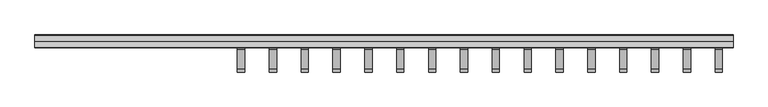
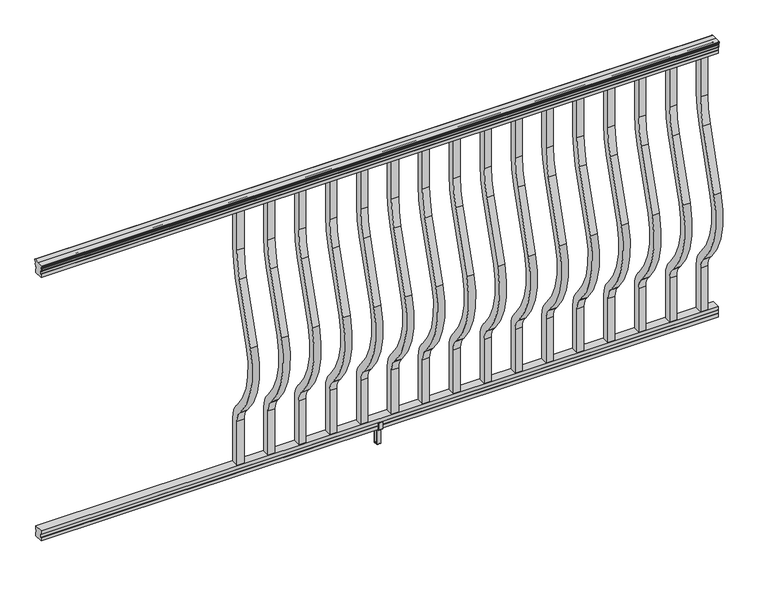
"""IFC4 building model written with IfcOpenShell, lengths in millimetres: railing geometry."""

from ifc_helpers import new_model, si_unit, point, frame, frame_2d, origin, place, context, project, spatial, polyline, circle_curve, trimmed, segment, composite_curve, outline, extrude, faceted_brep, source, transform, mapped, element, save
from ifc_brep_helpers import plane_surface, cylinder_surface, revolved_surface, advanced_brep


def railing_24a6271a(model_context):
    return source(origin(), model_context, "Body", "SolidModel", [
        advanced_brep(
        [(13090.4060044, -49289.7992427, 1090.8043297), (13090.4060044, -49289.7992427, 1092.692412), (13090.4060044, -49290.929429, 1094.2546695), (13090.4060044, -49290.929429, 1101.4726458), (13090.4060044, -49290.2801726, 1103.9060812), (13090.4060044, -49292.7801726, 1108.2362083), (13090.4060044, -49294.1895151, 1109.9157972), (13090.4060044, -49294.5914141, 1111.0205318), (13090.4060044, -49294.591414, 1112.3608158), (13090.4060044, -49293.0379668, 1113.914263), (13090.4060044, -49272.366414, 1113.914263), (13090.4060044, -49251.6948612, 1113.914263), (13090.4060044, -49250.141414, 1112.3608158), (13090.4060044, -49250.141414, 1111.0205318), (13090.4060044, -49250.5433129, 1109.9157972), (13090.4060044, -49251.9526554, 1108.2362083), (13090.4060044, -49254.4526554, 1103.9060812), (13090.4060044, -49253.803399, 1101.4726458), (13090.4060044, -49253.803399, 1094.2546695), (13090.4060044, -49254.9335853, 1092.692412), (13090.4060044, -49254.9335853, 1090.8043297), (13090.4060044, -49257.507414, 1090.8043297), (13090.4060044, -49257.507414, 1080.3048283), (13090.4060044, -49256.491414, 1079.2888283), (13090.4060044, -49256.491414, 1066.8), (13090.4060044, -49288.241414, 1066.8), (13090.4060044, -49288.241414, 1079.131013), (13090.4060044, -49287.225414, 1080.147013), (13090.4060044, -49287.225414, 1090.8043297), (15528.8060044, -49289.7992427, 1090.8043297), (15528.8060044, -49287.225414, 1090.8043297), (15528.8060044, -49287.225414, 1080.147013), (15528.8060044, -49288.241414, 1079.131013), (15528.8060044, -49288.241414, 1066.8), (15528.8060044, -49256.491414, 1066.8), (15528.8060044, -49256.491414, 1079.2888283), (15528.8060044, -49257.507414, 1080.3048283), (15528.8060044, -49257.507414, 1090.8043297), (15528.8060044, -49254.9335853, 1090.8043297), (15528.8060044, -49254.9335853, 1092.692412), (15528.8060044, -49253.803399, 1094.2546695), (15528.8060044, -49253.803399, 1101.4726458), (15528.8060044, -49254.4526554, 1103.9060812), (15528.8060044, -49251.9526554, 1108.2362083), (15528.8060044, -49250.5433129, 1109.9157972), (15528.8060044, -49250.1414139, 1111.0205318), (15528.8060044, -49250.141414, 1112.3608158), (15528.8060044, -49251.6948612, 1113.914263), (15528.8060044, -49272.366414, 1113.914263), (15528.8060044, -49293.0379668, 1113.914263), (15528.8060044, -49294.591414, 1112.3608158), (15528.8060044, -49294.591414, 1111.0205318), (15528.8060044, -49294.1895151, 1109.9157972), (15528.8060044, -49292.7801726, 1108.2362083), (15528.8060044, -49290.2801726, 1103.9060812), (15528.8060044, -49290.929429, 1101.4726458), (15528.8060044, -49290.929429, 1094.2546695), (15528.8060044, -49289.7992427, 1092.692412)],
        [
            (0, 1),
            (1, 2, circle_curve(frame((13090.4060044, -49283.4844895, 1098.4506383), z_axis=(-1.0, 0.0, 0.0), x_axis=(0.0, 1.0, 0.0)), 8.545951)),
            (2, 3, circle_curve(frame((13090.4060044, -49283.9215524, 1097.8636577), z_axis=(-1.0, 0.0, 0.0), x_axis=(0.0, 1.0, 0.0)), 7.882584)),
            (3, 4, circle_curve(frame((13090.4060044, -49294.4348766, 1103.7112527), z_axis=(1.0, 0.0, 0.0), x_axis=(0.0, 1.0, 0.0)), 4.1592695)),
            (4, 5, circle_curve(frame((13090.4060044, -49295.7221831, 1103.6508864), z_axis=(1.0, 0.0, 0.0), x_axis=(0.0, 1.0, 0.0)), 5.4479907)),
            (5, 6, circle_curve(frame((13090.4060044, -49294.4890247, 1108.233395), z_axis=(1.0, 0.0, 0.0), x_axis=(0.0, 1.0, 0.0)), 1.7088543)),
            (6, 7, circle_curve(frame((13090.4060044, -49292.8721246, 1111.0205318), z_axis=(-1.0, 0.0, 0.0), x_axis=(0.0, 1.0, 0.0)), 1.7192895)),
            (7, 8),
            (8, 9, circle_curve(frame((13090.4060044, -49293.0379668, 1112.3608158), z_axis=(-1.0, 0.0, 0.0), x_axis=(0.0, 1.0, 0.0)), 1.5534472)),
            (9, 10),
            (10, 11),
            (11, 12, circle_curve(frame((13090.4060044, -49251.6948612, 1112.3608158), z_axis=(-1.0, 0.0, 0.0), x_axis=(0.0, -1.0, 0.0)), 1.5534472)),
            (12, 13),
            (13, 14, circle_curve(frame((13090.4060044, -49251.8607034, 1111.0205318), z_axis=(-1.0, 0.0, 0.0), x_axis=(0.0, -1.0, 0.0)), 1.7192895)),
            (14, 15, circle_curve(frame((13090.4060044, -49250.2438033, 1108.233395), z_axis=(1.0, 0.0, 0.0), x_axis=(0.0, -1.0, 0.0)), 1.7088543)),
            (15, 16, circle_curve(frame((13090.4060044, -49249.0106449, 1103.6508864), z_axis=(1.0, 0.0, 0.0), x_axis=(0.0, -1.0, 0.0)), 5.4479907)),
            (16, 17, circle_curve(frame((13090.4060044, -49250.2979515, 1103.7112527), z_axis=(1.0, 0.0, 0.0), x_axis=(0.0, -1.0, 0.0)), 4.1592695)),
            (17, 18, circle_curve(frame((13090.4060044, -49260.8112756, 1097.8636577), z_axis=(-1.0, 0.0, 0.0), x_axis=(0.0, -1.0, 0.0)), 7.882584)),
            (18, 19, circle_curve(frame((13090.4060044, -49261.2483386, 1098.4506383), z_axis=(-1.0, 0.0, 0.0), x_axis=(0.0, -1.0, 0.0)), 8.545951)),
            (19, 20),
            (20, 21, circle_curve(frame((13090.4060044, -49256.2204996, 1090.8043297), z_axis=(-1.0, 0.0, 0.0), x_axis=(0.0, -1.0, 0.0)), 1.2869144)),
            (21, 22),
            (22, 23),
            (23, 24),
            (24, 25),
            (25, 26),
            (26, 27),
            (27, 28),
            (28, 0, circle_curve(frame((13090.4060044, -49288.5123284, 1090.8043297), z_axis=(-1.0, 0.0, 0.0), x_axis=(0.0, 1.0, 0.0)), 1.2869144)),
            (29, 30, circle_curve(frame((15528.8060044, -49288.5123284, 1090.8043297), z_axis=(1.0, 0.0, 0.0), x_axis=(0.0, 1.0, 0.0)), 1.2869144)),
            (30, 31),
            (31, 32),
            (32, 33),
            (33, 34),
            (34, 35),
            (35, 36),
            (36, 37),
            (37, 38, circle_curve(frame((15528.8060044, -49256.2204996, 1090.8043297), z_axis=(1.0, 0.0, 0.0), x_axis=(0.0, -1.0, 0.0)), 1.2869144)),
            (38, 39),
            (39, 40, circle_curve(frame((15528.8060044, -49261.2483386, 1098.4506383), z_axis=(1.0, 0.0, 0.0), x_axis=(0.0, -1.0, 0.0)), 8.545951)),
            (40, 41, circle_curve(frame((15528.8060044, -49260.8112756, 1097.8636577), z_axis=(1.0, 0.0, 0.0), x_axis=(0.0, -1.0, 0.0)), 7.882584)),
            (41, 42, circle_curve(frame((15528.8060044, -49250.2979515, 1103.7112527), z_axis=(-1.0, 0.0, 0.0), x_axis=(0.0, -1.0, 0.0)), 4.1592695)),
            (42, 43, circle_curve(frame((15528.8060044, -49249.0106449, 1103.6508864), z_axis=(-1.0, 0.0, 0.0), x_axis=(0.0, -1.0, 0.0)), 5.4479907)),
            (43, 44, circle_curve(frame((15528.8060044, -49250.2438033, 1108.233395), z_axis=(-1.0, 0.0, 0.0), x_axis=(0.0, -1.0, 0.0)), 1.7088543)),
            (44, 45, circle_curve(frame((15528.8060044, -49251.8607034, 1111.0205318), z_axis=(1.0, 0.0, 0.0), x_axis=(0.0, -1.0, 0.0)), 1.7192895)),
            (45, 46),
            (46, 47, circle_curve(frame((15528.8060044, -49251.6948612, 1112.3608158), z_axis=(1.0, 0.0, 0.0), x_axis=(0.0, -1.0, 0.0)), 1.5534472)),
            (47, 48),
            (48, 49),
            (49, 50, circle_curve(frame((15528.8060044, -49293.0379668, 1112.3608158), z_axis=(1.0, 0.0, 0.0), x_axis=(0.0, 1.0, 0.0)), 1.5534472)),
            (50, 51),
            (51, 52, circle_curve(frame((15528.8060044, -49292.8721246, 1111.0205318), z_axis=(1.0, 0.0, 0.0), x_axis=(0.0, 1.0, 0.0)), 1.7192895)),
            (52, 53, circle_curve(frame((15528.8060044, -49294.4890247, 1108.233395), z_axis=(-1.0, 0.0, 0.0), x_axis=(0.0, 1.0, 0.0)), 1.7088543)),
            (53, 54, circle_curve(frame((15528.8060044, -49295.7221831, 1103.6508864), z_axis=(-1.0, 0.0, 0.0), x_axis=(0.0, 1.0, 0.0)), 5.4479907)),
            (54, 55, circle_curve(frame((15528.8060044, -49294.4348766, 1103.7112527), z_axis=(-1.0, 0.0, 0.0), x_axis=(0.0, 1.0, 0.0)), 4.1592695)),
            (55, 56, circle_curve(frame((15528.8060044, -49283.9215524, 1097.8636577), z_axis=(1.0, 0.0, 0.0), x_axis=(0.0, 1.0, 0.0)), 7.882584)),
            (56, 57, circle_curve(frame((15528.8060044, -49283.4844895, 1098.4506383), z_axis=(1.0, 0.0, 0.0), x_axis=(0.0, 1.0, 0.0)), 8.545951)),
            (57, 29),
            (28, 30),
            (29, 0),
            (27, 31),
            (26, 32),
            (25, 33),
            (24, 34),
            (23, 35),
            (22, 36),
            (21, 37),
            (20, 38),
            (19, 39),
            (18, 40),
            (17, 41),
            (16, 42),
            (15, 43),
            (14, 44),
            (13, 45),
            (12, 46),
            (11, 47),
            (10, 48),
            (9, 49),
            (8, 50),
            (7, 51),
            (6, 52),
            (5, 53),
            (4, 54),
            (3, 55),
            (2, 56),
            (1, 57),
        ],
        [
            plane_surface(frame((13090.4060044, -49272.366414, 1066.8), z_axis=(-1.0, 0.0, 0.0), x_axis=(0.0, 1.0, 0.0))),
            plane_surface(frame((15528.8060044, -49272.366414, 1066.8), z_axis=(1.0, 0.0, 0.0), x_axis=(0.0, 1.0, 0.0))),
            cylinder_surface(frame((13090.4060044, -49288.5123284, 1090.8043297), z_axis=(-1.0, 0.0, 0.0), x_axis=(0.0, 1.0, 0.0)), 1.2869144),
            plane_surface(frame((13090.4060044, -49287.225414, 1080.147013), z_axis=(0.0, -1.0, 0.0), x_axis=(1.0, 0.0, 0.0))),
            plane_surface(frame((13090.4060044, -49288.241414, 1079.131013), z_axis=(0.0, -0.7071067811865395, 0.7071067811865556), x_axis=(1.0, 0.0, 0.0))),
            plane_surface(frame((13090.4060044, -49288.241414, 1066.8), z_axis=(0.0, -1.0, 0.0), x_axis=(1.0, 0.0, 0.0))),
            plane_surface(frame((13090.4060044, -49256.491414, 1066.8), z_axis=(0.0, 0.0, -1.0), x_axis=(1.0, 0.0, 0.0))),
            plane_surface(frame((13090.4060044, -49256.491414, 1079.2888283), z_axis=(0.0, 1.0, 0.0), x_axis=(1.0, 0.0, 0.0))),
            plane_surface(frame((13090.4060044, -49257.507414, 1080.3048283), z_axis=(0.0, 0.7071067811865432, 0.707106781186552), x_axis=(1.0, 0.0, 0.0))),
            plane_surface(frame((13090.4060044, -49257.507414, 1090.8043297), z_axis=(0.0, 1.0, 0.0), x_axis=(1.0, 0.0, 0.0))),
            cylinder_surface(frame((13090.4060044, -49256.2204996, 1090.8043297), z_axis=(-1.0, 0.0, 0.0), x_axis=(0.0, -1.0, 0.0)), 1.2869144),
            plane_surface(frame((13090.4060044, -49254.9335853, 1092.692412), z_axis=(0.0, 1.0, 0.0), x_axis=(1.0, 0.0, 0.0))),
            cylinder_surface(frame((13090.4060044, -49261.2483386, 1098.4506383), z_axis=(-1.0, 0.0, 0.0), x_axis=(0.0, -1.0, 0.0)), 8.545951),
            cylinder_surface(frame((13090.4060044, -49260.8112756, 1097.8636577), z_axis=(-1.0, 0.0, 0.0), x_axis=(0.0, -1.0, 0.0)), 7.882584),
            revolved_surface(polyline([(15528.8060044, -49254.457221, 1103.7112527), (13090.4060044, -49254.457221, 1103.7112527)]), (13090.4060044, -49250.2979515, 1103.7112527), (1.0, 0.0, 0.0)),
            revolved_surface(polyline([(15528.8060044, -49254.4586356, 1103.6508864), (13090.4060044, -49254.4586356, 1103.6508864)]), (13090.4060044, -49249.0106449, 1103.6508864), (1.0, 0.0, 0.0)),
            revolved_surface(polyline([(15528.8060044, -49251.9526576, 1108.233395), (13090.4060044, -49251.9526576, 1108.233395)]), (13090.4060044, -49250.2438033, 1108.233395), (1.0, 0.0, 0.0)),
            cylinder_surface(frame((13090.4060044, -49251.8607034, 1111.0205318), z_axis=(-1.0, 0.0, 0.0), x_axis=(0.0, -1.0, 0.0)), 1.7192895),
            plane_surface(frame((13090.4060044, -49250.141414, 1112.3608158), z_axis=(0.0, 1.0, 0.0), x_axis=(1.0, 0.0, 0.0))),
            cylinder_surface(frame((13090.4060044, -49251.6948612, 1112.3608158), z_axis=(-1.0, 0.0, 0.0), x_axis=(0.0, -1.0, 0.0)), 1.5534472),
            plane_surface(frame((13090.4060044, -49272.366414, 1113.914263), z_axis=(0.0, 0.0, 1.0), x_axis=(1.0, 0.0, 0.0))),
            plane_surface(frame((13090.4060044, -49293.0379668, 1113.914263), z_axis=(0.0, 0.0, 1.0), x_axis=(1.0, 0.0, 0.0))),
            cylinder_surface(frame((13090.4060044, -49293.0379668, 1112.3608158), z_axis=(-1.0, 0.0, 0.0), x_axis=(0.0, 1.0, 0.0)), 1.5534472),
            plane_surface(frame((13090.4060044, -49294.591414, 1111.0205318), z_axis=(0.0, -1.0, 0.0), x_axis=(1.0, 0.0, 0.0))),
            cylinder_surface(frame((13090.4060044, -49292.8721246, 1111.0205318), z_axis=(-1.0, 0.0, 0.0), x_axis=(0.0, 1.0, 0.0)), 1.7192895),
            revolved_surface(polyline([(15528.8060044, -49292.7801704, 1108.233395), (13090.4060044, -49292.7801704, 1108.233395)]), (13090.4060044, -49294.4890247, 1108.233395), (1.0, 0.0, 0.0)),
            revolved_surface(polyline([(15528.8060044, -49290.2741924, 1103.6508864), (13090.4060044, -49290.2741924, 1103.6508864)]), (13090.4060044, -49295.7221831, 1103.6508864), (1.0, 0.0, 0.0)),
            revolved_surface(polyline([(15528.8060044, -49290.2756071, 1103.7112527), (13090.4060044, -49290.2756071, 1103.7112527)]), (13090.4060044, -49294.4348766, 1103.7112527), (1.0, 0.0, 0.0)),
            cylinder_surface(frame((13090.4060044, -49283.9215524, 1097.8636577), z_axis=(-1.0, 0.0, 0.0), x_axis=(0.0, 1.0, 0.0)), 7.882584),
            cylinder_surface(frame((13090.4060044, -49283.4844895, 1098.4506383), z_axis=(-1.0, 0.0, 0.0), x_axis=(0.0, 1.0, 0.0)), 8.545951),
            plane_surface(frame((13090.4060044, -49289.7992427, 1090.8043297), z_axis=(0.0, -1.0, 0.0), x_axis=(1.0, 0.0, 0.0))),
        ],
        [
            (0, [[1, 2, 3, 4, 5, 6, 7, 8, 9, 10, 11, 12, 13, 14, 15, 16, 17, 18, 19, 20, 21, 22, 23, 24, 25, 26, 27, 28, 29]]),
            (1, [[30, 31, 32, 33, 34, 35, 36, 37, 38, 39, 40, 41, 42, 43, 44, 45, 46, 47, 48, 49, 50, 51, 52, 53, 54, 55, 56, 57, 58]]),
            (2, [[-29, 59, -30, 60]]),
            (3, [[-28, 61, -31, -59]]),
            (4, [[-27, 62, -32, -61]]),
            (5, [[-26, 63, -33, -62]]),
            (6, [[-25, 64, -34, -63]]),
            (7, [[-24, 65, -35, -64]]),
            (8, [[-23, 66, -36, -65]]),
            (9, [[-22, 67, -37, -66]]),
            (10, [[-21, 68, -38, -67]]),
            (11, [[-20, 69, -39, -68]]),
            (12, [[-19, 70, -40, -69]]),
            (13, [[-18, 71, -41, -70]]),
            (14, [[-17, 72, -42, -71]]),
            (15, [[-16, 73, -43, -72]]),
            (16, [[-15, 74, -44, -73]]),
            (17, [[-14, 75, -45, -74]]),
            (18, [[-13, 76, -46, -75]]),
            (19, [[-12, 77, -47, -76]]),
            (20, [[-11, 78, -48, -77]]),
            (21, [[-10, 79, -49, -78]]),
            (22, [[-9, 80, -50, -79]]),
            (23, [[-8, 81, -51, -80]]),
            (24, [[-7, 82, -52, -81]]),
            (25, [[-6, 83, -53, -82]]),
            (26, [[-5, 84, -54, -83]]),
            (27, [[-4, 85, -55, -84]]),
            (28, [[-3, 86, -56, -85]]),
            (29, [[-2, 87, -57, -86]]),
            (30, [[-1, -60, -58, -87]]),
        ],
    ),
        faceted_brep([(13090.4060044, -49288.2789009, 76.0541976), (13090.4060044, -49287.2629009, 77.3546183), (13090.4060044, -49287.2629009, 87.7141717), (13090.4060044, -49288.2789009, 89.0624492), (13090.4060044, -49288.2789009, 101.5958781), (13090.4060044, -49256.5289009, 101.5958781), (13090.4060044, -49256.5289009, 89.0458024), (13090.4060044, -49257.5449009, 87.6975248), (13090.4060044, -49257.5449009, 77.3858283), (13090.4060044, -49256.5289009, 76.0375508), (13090.4060044, -49256.5289009, 63.5), (13090.4060044, -49288.2789009, 63.5), (15528.8060044, -49288.2789009, 76.0541976), (15528.8060044, -49288.2789009, 63.5), (15528.8060044, -49256.5289009, 63.5), (15528.8060044, -49256.5289009, 76.0375508), (15528.8060044, -49257.5449009, 77.3858283), (15528.8060044, -49257.5449009, 87.6975248), (15528.8060044, -49256.5289009, 89.0458024), (15528.8060044, -49256.5289009, 101.5958781), (15528.8060044, -49288.2789009, 101.5958781), (15528.8060044, -49288.2789009, 89.0624492), (15528.8060044, -49287.2629009, 87.7141717), (15528.8060044, -49287.2629009, 77.3546183)], [[[0, 1, 2, 3, 4, 5, 6, 7, 8, 9, 10, 11]], [[12, 13, 14, 15, 16, 17, 18, 19, 20, 21, 22, 23]], [[0, 11, 13, 12]], [[11, 10, 14, 13]], [[10, 9, 15, 14]], [[9, 8, 16, 15]], [[8, 7, 17, 16]], [[7, 6, 18, 17]], [[6, 5, 19, 18]], [[5, 4, 20, 19]], [[4, 3, 21, 20]], [[3, 2, 22, 21]], [[2, 1, 23, 22]], [[1, 0, 12, 23]]]),
        extrude(outline(composite_curve([segment(polyline([(-49285.066414, 921.03216), (-49285.066414, 1066.8), (-49259.666414, 1066.8), (-49259.666414, 921.03216)]), True, "CONTINUOUS"), segment(trimmed(circle_curve(frame_2d((-49632.366414, 921.03216)), 372.7), [point((-49259.666414, 921.03216))], [point((-49275.9516315, 812.0652257))], False, "CARTESIAN"), True, "CONTINUOUS"), segment(polyline([(-49275.9516315, 812.0652257), (-49343.7789093, 590.2121964)]), True, "CONTINUOUS"), segment(trimmed(circle_curve(frame_2d((-49088.158648, 512.0612397)), 267.3), [point((-49343.7789093, 590.2121964))], [point((-49287.4736709, 333.9522516))], True, "CARTESIAN"), True, "CONTINUOUS"), segment(polyline([(-49287.4736709, 333.9522516), (-49281.9719976, 327.7955374)]), True, "CONTINUOUS"), segment(trimmed(circle_curve(frame_2d((-49347.366414, 269.3587313)), 87.7), [point((-49281.9719976, 327.7955374))], [point((-49259.666414, 269.3587313))], False, "CARTESIAN"), True, "CONTINUOUS"), segment(polyline([(-49259.666414, 269.3587313), (-49259.666414, 101.5958781), (-49285.066414, 101.5958781), (-49285.066414, 269.3587313)]), True, "CONTINUOUS"), segment(trimmed(circle_curve(frame_2d((-49347.366414, 269.3587313)), 62.3), [point((-49285.066414, 269.3587313))], [point((-49300.9117716, 310.8708524))], True, "CARTESIAN"), True, "CONTINUOUS"), segment(polyline([(-49300.9117716, 310.8708524), (-49306.4134448, 317.0275666)]), True, "CONTINUOUS"), segment(trimmed(circle_curve(frame_2d((-49088.158648, 512.0612397)), 292.7), [point((-49306.4134448, 317.0275666))], [point((-49368.0690501, 597.6384377))], False, "CARTESIAN"), True, "CONTINUOUS"), segment(polyline([(-49368.0690501, 597.6384377), (-49300.2417723, 819.491467)]), True, "CONTINUOUS"), segment(trimmed(circle_curve(frame_2d((-49632.366414, 921.03216)), 347.3), [point((-49300.2417723, 819.491467))], [point((-49285.066414, 921.03216))], True, "CARTESIAN"), True, "CONTINUOUS")], self_intersect=False)), frame((15466.3220044, 0.0, 0.0), z_axis=(1.0, 0.0, 0.0), x_axis=(0.0, 1.0, 0.0)), (0.0, 0.0, 1.0), 25.4),
        extrude(outline(composite_curve([segment(polyline([(-49285.066414, 921.03216), (-49285.066414, 1066.8), (-49259.666414, 1066.8), (-49259.666414, 921.03216)]), True, "CONTINUOUS"), segment(trimmed(circle_curve(frame_2d((-49632.366414, 921.03216)), 372.7), [point((-49259.666414, 921.03216))], [point((-49275.9516315, 812.0652257))], False, "CARTESIAN"), True, "CONTINUOUS"), segment(polyline([(-49275.9516315, 812.0652257), (-49343.7789093, 590.2121964)]), True, "CONTINUOUS"), segment(trimmed(circle_curve(frame_2d((-49088.158648, 512.0612397)), 267.3), [point((-49343.7789093, 590.2121964))], [point((-49287.4736709, 333.9522516))], True, "CARTESIAN"), True, "CONTINUOUS"), segment(polyline([(-49287.4736709, 333.9522516), (-49281.9719976, 327.7955374)]), True, "CONTINUOUS"), segment(trimmed(circle_curve(frame_2d((-49347.366414, 269.3587313)), 87.7), [point((-49281.9719976, 327.7955374))], [point((-49259.666414, 269.3587313))], False, "CARTESIAN"), True, "CONTINUOUS"), segment(polyline([(-49259.666414, 269.3587313), (-49259.666414, 101.5958781), (-49285.066414, 101.5958781), (-49285.066414, 269.3587313)]), True, "CONTINUOUS"), segment(trimmed(circle_curve(frame_2d((-49347.366414, 269.3587313)), 62.3), [point((-49285.066414, 269.3587313))], [point((-49300.9117716, 310.8708524))], True, "CARTESIAN"), True, "CONTINUOUS"), segment(polyline([(-49300.9117716, 310.8708524), (-49306.4134448, 317.0275666)]), True, "CONTINUOUS"), segment(trimmed(circle_curve(frame_2d((-49088.158648, 512.0612397)), 292.7), [point((-49306.4134448, 317.0275666))], [point((-49368.0690501, 597.6384377))], False, "CARTESIAN"), True, "CONTINUOUS"), segment(polyline([(-49368.0690501, 597.6384377), (-49300.2417723, 819.491467)]), True, "CONTINUOUS"), segment(trimmed(circle_curve(frame_2d((-49632.366414, 921.03216)), 347.3), [point((-49300.2417723, 819.491467))], [point((-49285.066414, 921.03216))], True, "CARTESIAN"), True, "CONTINUOUS")], self_intersect=False)), frame((15355.0700044, 0.0, 0.0), z_axis=(1.0, 0.0, 0.0), x_axis=(0.0, 1.0, 0.0)), (0.0, 0.0, 1.0), 25.4),
        extrude(outline(composite_curve([segment(polyline([(-49285.066414, 921.03216), (-49285.066414, 1066.8), (-49259.666414, 1066.8), (-49259.666414, 921.03216)]), True, "CONTINUOUS"), segment(trimmed(circle_curve(frame_2d((-49632.366414, 921.03216)), 372.7), [point((-49259.666414, 921.03216))], [point((-49275.9516315, 812.0652257))], False, "CARTESIAN"), True, "CONTINUOUS"), segment(polyline([(-49275.9516315, 812.0652257), (-49343.7789093, 590.2121964)]), True, "CONTINUOUS"), segment(trimmed(circle_curve(frame_2d((-49088.158648, 512.0612397)), 267.3), [point((-49343.7789093, 590.2121964))], [point((-49287.4736709, 333.9522516))], True, "CARTESIAN"), True, "CONTINUOUS"), segment(polyline([(-49287.4736709, 333.9522516), (-49281.9719976, 327.7955374)]), True, "CONTINUOUS"), segment(trimmed(circle_curve(frame_2d((-49347.366414, 269.3587313)), 87.7), [point((-49281.9719976, 327.7955374))], [point((-49259.666414, 269.3587313))], False, "CARTESIAN"), True, "CONTINUOUS"), segment(polyline([(-49259.666414, 269.3587313), (-49259.666414, 101.5958781), (-49285.066414, 101.5958781), (-49285.066414, 269.3587313)]), True, "CONTINUOUS"), segment(trimmed(circle_curve(frame_2d((-49347.366414, 269.3587313)), 62.3), [point((-49285.066414, 269.3587313))], [point((-49300.9117716, 310.8708524))], True, "CARTESIAN"), True, "CONTINUOUS"), segment(polyline([(-49300.9117716, 310.8708524), (-49306.4134448, 317.0275666)]), True, "CONTINUOUS"), segment(trimmed(circle_curve(frame_2d((-49088.158648, 512.0612397)), 292.7), [point((-49306.4134448, 317.0275666))], [point((-49368.0690501, 597.6384377))], False, "CARTESIAN"), True, "CONTINUOUS"), segment(polyline([(-49368.0690501, 597.6384377), (-49300.2417723, 819.491467)]), True, "CONTINUOUS"), segment(trimmed(circle_curve(frame_2d((-49632.366414, 921.03216)), 347.3), [point((-49300.2417723, 819.491467))], [point((-49285.066414, 921.03216))], True, "CARTESIAN"), True, "CONTINUOUS")], self_intersect=False)), frame((15243.8180044, 0.0, 0.0), z_axis=(1.0, 0.0, 0.0), x_axis=(0.0, 1.0, 0.0)), (0.0, 0.0, 1.0), 25.4),
        extrude(outline(composite_curve([segment(polyline([(-49285.066414, 921.03216), (-49285.066414, 1066.8), (-49259.666414, 1066.8), (-49259.666414, 921.03216)]), True, "CONTINUOUS"), segment(trimmed(circle_curve(frame_2d((-49632.366414, 921.03216)), 372.7), [point((-49259.666414, 921.03216))], [point((-49275.9516315, 812.0652257))], False, "CARTESIAN"), True, "CONTINUOUS"), segment(polyline([(-49275.9516315, 812.0652257), (-49343.7789093, 590.2121964)]), True, "CONTINUOUS"), segment(trimmed(circle_curve(frame_2d((-49088.158648, 512.0612397)), 267.3), [point((-49343.7789093, 590.2121964))], [point((-49287.4736709, 333.9522516))], True, "CARTESIAN"), True, "CONTINUOUS"), segment(polyline([(-49287.4736709, 333.9522516), (-49281.9719976, 327.7955374)]), True, "CONTINUOUS"), segment(trimmed(circle_curve(frame_2d((-49347.366414, 269.3587313)), 87.7), [point((-49281.9719976, 327.7955374))], [point((-49259.666414, 269.3587313))], False, "CARTESIAN"), True, "CONTINUOUS"), segment(polyline([(-49259.666414, 269.3587313), (-49259.666414, 101.5958781), (-49285.066414, 101.5958781), (-49285.066414, 269.3587313)]), True, "CONTINUOUS"), segment(trimmed(circle_curve(frame_2d((-49347.366414, 269.3587313)), 62.3), [point((-49285.066414, 269.3587313))], [point((-49300.9117716, 310.8708524))], True, "CARTESIAN"), True, "CONTINUOUS"), segment(polyline([(-49300.9117716, 310.8708524), (-49306.4134448, 317.0275666)]), True, "CONTINUOUS"), segment(trimmed(circle_curve(frame_2d((-49088.158648, 512.0612397)), 292.7), [point((-49306.4134448, 317.0275666))], [point((-49368.0690501, 597.6384377))], False, "CARTESIAN"), True, "CONTINUOUS"), segment(polyline([(-49368.0690501, 597.6384377), (-49300.2417723, 819.491467)]), True, "CONTINUOUS"), segment(trimmed(circle_curve(frame_2d((-49632.366414, 921.03216)), 347.3), [point((-49300.2417723, 819.491467))], [point((-49285.066414, 921.03216))], True, "CARTESIAN"), True, "CONTINUOUS")], self_intersect=False)), frame((15132.5660044, 0.0, 0.0), z_axis=(1.0, 0.0, 0.0), x_axis=(0.0, 1.0, 0.0)), (0.0, 0.0, 1.0), 25.4),
        extrude(outline(composite_curve([segment(polyline([(-49285.066414, 921.03216), (-49285.066414, 1066.8), (-49259.666414, 1066.8), (-49259.666414, 921.03216)]), True, "CONTINUOUS"), segment(trimmed(circle_curve(frame_2d((-49632.366414, 921.03216)), 372.7), [point((-49259.666414, 921.03216))], [point((-49275.9516315, 812.0652257))], False, "CARTESIAN"), True, "CONTINUOUS"), segment(polyline([(-49275.9516315, 812.0652257), (-49343.7789093, 590.2121964)]), True, "CONTINUOUS"), segment(trimmed(circle_curve(frame_2d((-49088.158648, 512.0612397)), 267.3), [point((-49343.7789093, 590.2121964))], [point((-49287.4736709, 333.9522516))], True, "CARTESIAN"), True, "CONTINUOUS"), segment(polyline([(-49287.4736709, 333.9522516), (-49281.9719976, 327.7955374)]), True, "CONTINUOUS"), segment(trimmed(circle_curve(frame_2d((-49347.366414, 269.3587313)), 87.7), [point((-49281.9719976, 327.7955374))], [point((-49259.666414, 269.3587313))], False, "CARTESIAN"), True, "CONTINUOUS"), segment(polyline([(-49259.666414, 269.3587313), (-49259.666414, 101.5958781), (-49285.066414, 101.5958781), (-49285.066414, 269.3587313)]), True, "CONTINUOUS"), segment(trimmed(circle_curve(frame_2d((-49347.366414, 269.3587313)), 62.3), [point((-49285.066414, 269.3587313))], [point((-49300.9117716, 310.8708524))], True, "CARTESIAN"), True, "CONTINUOUS"), segment(polyline([(-49300.9117716, 310.8708524), (-49306.4134448, 317.0275666)]), True, "CONTINUOUS"), segment(trimmed(circle_curve(frame_2d((-49088.158648, 512.0612397)), 292.7), [point((-49306.4134448, 317.0275666))], [point((-49368.0690501, 597.6384377))], False, "CARTESIAN"), True, "CONTINUOUS"), segment(polyline([(-49368.0690501, 597.6384377), (-49300.2417723, 819.491467)]), True, "CONTINUOUS"), segment(trimmed(circle_curve(frame_2d((-49632.366414, 921.03216)), 347.3), [point((-49300.2417723, 819.491467))], [point((-49285.066414, 921.03216))], True, "CARTESIAN"), True, "CONTINUOUS")], self_intersect=False)), frame((15021.3140044, 0.0, 0.0), z_axis=(1.0, 0.0, 0.0), x_axis=(0.0, 1.0, 0.0)), (0.0, 0.0, 1.0), 25.4),
        extrude(outline(composite_curve([segment(polyline([(-49285.066414, 921.03216), (-49285.066414, 1066.8), (-49259.666414, 1066.8), (-49259.666414, 921.03216)]), True, "CONTINUOUS"), segment(trimmed(circle_curve(frame_2d((-49632.366414, 921.03216)), 372.7), [point((-49259.666414, 921.03216))], [point((-49275.9516315, 812.0652257))], False, "CARTESIAN"), True, "CONTINUOUS"), segment(polyline([(-49275.9516315, 812.0652257), (-49343.7789093, 590.2121964)]), True, "CONTINUOUS"), segment(trimmed(circle_curve(frame_2d((-49088.158648, 512.0612397)), 267.3), [point((-49343.7789093, 590.2121964))], [point((-49287.4736709, 333.9522516))], True, "CARTESIAN"), True, "CONTINUOUS"), segment(polyline([(-49287.4736709, 333.9522516), (-49281.9719976, 327.7955374)]), True, "CONTINUOUS"), segment(trimmed(circle_curve(frame_2d((-49347.366414, 269.3587313)), 87.7), [point((-49281.9719976, 327.7955374))], [point((-49259.666414, 269.3587313))], False, "CARTESIAN"), True, "CONTINUOUS"), segment(polyline([(-49259.666414, 269.3587313), (-49259.666414, 101.5958781), (-49285.066414, 101.5958781), (-49285.066414, 269.3587313)]), True, "CONTINUOUS"), segment(trimmed(circle_curve(frame_2d((-49347.366414, 269.3587313)), 62.3), [point((-49285.066414, 269.3587313))], [point((-49300.9117716, 310.8708524))], True, "CARTESIAN"), True, "CONTINUOUS"), segment(polyline([(-49300.9117716, 310.8708524), (-49306.4134448, 317.0275666)]), True, "CONTINUOUS"), segment(trimmed(circle_curve(frame_2d((-49088.158648, 512.0612397)), 292.7), [point((-49306.4134448, 317.0275666))], [point((-49368.0690501, 597.6384377))], False, "CARTESIAN"), True, "CONTINUOUS"), segment(polyline([(-49368.0690501, 597.6384377), (-49300.2417723, 819.491467)]), True, "CONTINUOUS"), segment(trimmed(circle_curve(frame_2d((-49632.366414, 921.03216)), 347.3), [point((-49300.2417723, 819.491467))], [point((-49285.066414, 921.03216))], True, "CARTESIAN"), True, "CONTINUOUS")], self_intersect=False)), frame((14910.0620044, 0.0, 0.0), z_axis=(1.0, 0.0, 0.0), x_axis=(0.0, 1.0, 0.0)), (0.0, 0.0, 1.0), 25.4),
        extrude(outline(composite_curve([segment(polyline([(-49285.066414, 921.03216), (-49285.066414, 1066.8), (-49259.666414, 1066.8), (-49259.666414, 921.03216)]), True, "CONTINUOUS"), segment(trimmed(circle_curve(frame_2d((-49632.366414, 921.03216)), 372.7), [point((-49259.666414, 921.03216))], [point((-49275.9516315, 812.0652257))], False, "CARTESIAN"), True, "CONTINUOUS"), segment(polyline([(-49275.9516315, 812.0652257), (-49343.7789093, 590.2121964)]), True, "CONTINUOUS"), segment(trimmed(circle_curve(frame_2d((-49088.158648, 512.0612397)), 267.3), [point((-49343.7789093, 590.2121964))], [point((-49287.4736709, 333.9522516))], True, "CARTESIAN"), True, "CONTINUOUS"), segment(polyline([(-49287.4736709, 333.9522516), (-49281.9719976, 327.7955374)]), True, "CONTINUOUS"), segment(trimmed(circle_curve(frame_2d((-49347.366414, 269.3587313)), 87.7), [point((-49281.9719976, 327.7955374))], [point((-49259.666414, 269.3587313))], False, "CARTESIAN"), True, "CONTINUOUS"), segment(polyline([(-49259.666414, 269.3587313), (-49259.666414, 101.5958781), (-49285.066414, 101.5958781), (-49285.066414, 269.3587313)]), True, "CONTINUOUS"), segment(trimmed(circle_curve(frame_2d((-49347.366414, 269.3587313)), 62.3), [point((-49285.066414, 269.3587313))], [point((-49300.9117716, 310.8708524))], True, "CARTESIAN"), True, "CONTINUOUS"), segment(polyline([(-49300.9117716, 310.8708524), (-49306.4134448, 317.0275666)]), True, "CONTINUOUS"), segment(trimmed(circle_curve(frame_2d((-49088.158648, 512.0612397)), 292.7), [point((-49306.4134448, 317.0275666))], [point((-49368.0690501, 597.6384377))], False, "CARTESIAN"), True, "CONTINUOUS"), segment(polyline([(-49368.0690501, 597.6384377), (-49300.2417723, 819.491467)]), True, "CONTINUOUS"), segment(trimmed(circle_curve(frame_2d((-49632.366414, 921.03216)), 347.3), [point((-49300.2417723, 819.491467))], [point((-49285.066414, 921.03216))], True, "CARTESIAN"), True, "CONTINUOUS")], self_intersect=False)), frame((14798.8100044, 0.0, 0.0), z_axis=(1.0, 0.0, 0.0), x_axis=(0.0, 1.0, 0.0)), (0.0, 0.0, 1.0), 25.4),
        extrude(outline(composite_curve([segment(polyline([(-49285.066414, 921.03216), (-49285.066414, 1066.8), (-49259.666414, 1066.8), (-49259.666414, 921.03216)]), True, "CONTINUOUS"), segment(trimmed(circle_curve(frame_2d((-49632.366414, 921.03216)), 372.7), [point((-49259.666414, 921.03216))], [point((-49275.9516315, 812.0652257))], False, "CARTESIAN"), True, "CONTINUOUS"), segment(polyline([(-49275.9516315, 812.0652257), (-49343.7789093, 590.2121964)]), True, "CONTINUOUS"), segment(trimmed(circle_curve(frame_2d((-49088.158648, 512.0612397)), 267.3), [point((-49343.7789093, 590.2121964))], [point((-49287.4736709, 333.9522516))], True, "CARTESIAN"), True, "CONTINUOUS"), segment(polyline([(-49287.4736709, 333.9522516), (-49281.9719976, 327.7955374)]), True, "CONTINUOUS"), segment(trimmed(circle_curve(frame_2d((-49347.366414, 269.3587313)), 87.7), [point((-49281.9719976, 327.7955374))], [point((-49259.666414, 269.3587313))], False, "CARTESIAN"), True, "CONTINUOUS"), segment(polyline([(-49259.666414, 269.3587313), (-49259.666414, 101.5958781), (-49285.066414, 101.5958781), (-49285.066414, 269.3587313)]), True, "CONTINUOUS"), segment(trimmed(circle_curve(frame_2d((-49347.366414, 269.3587313)), 62.3), [point((-49285.066414, 269.3587313))], [point((-49300.9117716, 310.8708524))], True, "CARTESIAN"), True, "CONTINUOUS"), segment(polyline([(-49300.9117716, 310.8708524), (-49306.4134448, 317.0275666)]), True, "CONTINUOUS"), segment(trimmed(circle_curve(frame_2d((-49088.158648, 512.0612397)), 292.7), [point((-49306.4134448, 317.0275666))], [point((-49368.0690501, 597.6384377))], False, "CARTESIAN"), True, "CONTINUOUS"), segment(polyline([(-49368.0690501, 597.6384377), (-49300.2417723, 819.491467)]), True, "CONTINUOUS"), segment(trimmed(circle_curve(frame_2d((-49632.366414, 921.03216)), 347.3), [point((-49300.2417723, 819.491467))], [point((-49285.066414, 921.03216))], True, "CARTESIAN"), True, "CONTINUOUS")], self_intersect=False)), frame((14687.5580044, 0.0, 0.0), z_axis=(1.0, 0.0, 0.0), x_axis=(0.0, 1.0, 0.0)), (0.0, 0.0, 1.0), 25.4),
        extrude(outline(composite_curve([segment(polyline([(-49285.066414, 921.03216), (-49285.066414, 1066.8), (-49259.666414, 1066.8), (-49259.666414, 921.03216)]), True, "CONTINUOUS"), segment(trimmed(circle_curve(frame_2d((-49632.366414, 921.03216)), 372.7), [point((-49259.666414, 921.03216))], [point((-49275.9516315, 812.0652257))], False, "CARTESIAN"), True, "CONTINUOUS"), segment(polyline([(-49275.9516315, 812.0652257), (-49343.7789093, 590.2121964)]), True, "CONTINUOUS"), segment(trimmed(circle_curve(frame_2d((-49088.158648, 512.0612397)), 267.3), [point((-49343.7789093, 590.2121964))], [point((-49287.4736709, 333.9522516))], True, "CARTESIAN"), True, "CONTINUOUS"), segment(polyline([(-49287.4736709, 333.9522516), (-49281.9719976, 327.7955374)]), True, "CONTINUOUS"), segment(trimmed(circle_curve(frame_2d((-49347.366414, 269.3587313)), 87.7), [point((-49281.9719976, 327.7955374))], [point((-49259.666414, 269.3587313))], False, "CARTESIAN"), True, "CONTINUOUS"), segment(polyline([(-49259.666414, 269.3587313), (-49259.666414, 101.5958781), (-49285.066414, 101.5958781), (-49285.066414, 269.3587313)]), True, "CONTINUOUS"), segment(trimmed(circle_curve(frame_2d((-49347.366414, 269.3587313)), 62.3), [point((-49285.066414, 269.3587313))], [point((-49300.9117716, 310.8708524))], True, "CARTESIAN"), True, "CONTINUOUS"), segment(polyline([(-49300.9117716, 310.8708524), (-49306.4134448, 317.0275666)]), True, "CONTINUOUS"), segment(trimmed(circle_curve(frame_2d((-49088.158648, 512.0612397)), 292.7), [point((-49306.4134448, 317.0275666))], [point((-49368.0690501, 597.6384377))], False, "CARTESIAN"), True, "CONTINUOUS"), segment(polyline([(-49368.0690501, 597.6384377), (-49300.2417723, 819.491467)]), True, "CONTINUOUS"), segment(trimmed(circle_curve(frame_2d((-49632.366414, 921.03216)), 347.3), [point((-49300.2417723, 819.491467))], [point((-49285.066414, 921.03216))], True, "CARTESIAN"), True, "CONTINUOUS")], self_intersect=False)), frame((14576.3060044, 0.0, 0.0), z_axis=(1.0, 0.0, 0.0), x_axis=(0.0, 1.0, 0.0)), (0.0, 0.0, 1.0), 25.4),
        extrude(outline(composite_curve([segment(polyline([(-49285.066414, 921.03216), (-49285.066414, 1066.8), (-49259.666414, 1066.8), (-49259.666414, 921.03216)]), True, "CONTINUOUS"), segment(trimmed(circle_curve(frame_2d((-49632.366414, 921.03216)), 372.7), [point((-49259.666414, 921.03216))], [point((-49275.9516315, 812.0652257))], False, "CARTESIAN"), True, "CONTINUOUS"), segment(polyline([(-49275.9516315, 812.0652257), (-49343.7789093, 590.2121964)]), True, "CONTINUOUS"), segment(trimmed(circle_curve(frame_2d((-49088.158648, 512.0612397)), 267.3), [point((-49343.7789093, 590.2121964))], [point((-49287.4736709, 333.9522516))], True, "CARTESIAN"), True, "CONTINUOUS"), segment(polyline([(-49287.4736709, 333.9522516), (-49281.9719976, 327.7955374)]), True, "CONTINUOUS"), segment(trimmed(circle_curve(frame_2d((-49347.366414, 269.3587313)), 87.7), [point((-49281.9719976, 327.7955374))], [point((-49259.666414, 269.3587313))], False, "CARTESIAN"), True, "CONTINUOUS"), segment(polyline([(-49259.666414, 269.3587313), (-49259.666414, 101.5958781), (-49285.066414, 101.5958781), (-49285.066414, 269.3587313)]), True, "CONTINUOUS"), segment(trimmed(circle_curve(frame_2d((-49347.366414, 269.3587313)), 62.3), [point((-49285.066414, 269.3587313))], [point((-49300.9117716, 310.8708524))], True, "CARTESIAN"), True, "CONTINUOUS"), segment(polyline([(-49300.9117716, 310.8708524), (-49306.4134448, 317.0275666)]), True, "CONTINUOUS"), segment(trimmed(circle_curve(frame_2d((-49088.158648, 512.0612397)), 292.7), [point((-49306.4134448, 317.0275666))], [point((-49368.0690501, 597.6384377))], False, "CARTESIAN"), True, "CONTINUOUS"), segment(polyline([(-49368.0690501, 597.6384377), (-49300.2417723, 819.491467)]), True, "CONTINUOUS"), segment(trimmed(circle_curve(frame_2d((-49632.366414, 921.03216)), 347.3), [point((-49300.2417723, 819.491467))], [point((-49285.066414, 921.03216))], True, "CARTESIAN"), True, "CONTINUOUS")], self_intersect=False)), frame((14465.0540044, 0.0, 0.0), z_axis=(1.0, 0.0, 0.0), x_axis=(0.0, 1.0, 0.0)), (0.0, 0.0, 1.0), 25.4),
        extrude(outline(composite_curve([segment(polyline([(-49285.066414, 921.03216), (-49285.066414, 1066.8), (-49259.666414, 1066.8), (-49259.666414, 921.03216)]), True, "CONTINUOUS"), segment(trimmed(circle_curve(frame_2d((-49632.366414, 921.03216)), 372.7), [point((-49259.666414, 921.03216))], [point((-49275.9516315, 812.0652257))], False, "CARTESIAN"), True, "CONTINUOUS"), segment(polyline([(-49275.9516315, 812.0652257), (-49343.7789093, 590.2121964)]), True, "CONTINUOUS"), segment(trimmed(circle_curve(frame_2d((-49088.158648, 512.0612397)), 267.3), [point((-49343.7789093, 590.2121964))], [point((-49287.4736709, 333.9522516))], True, "CARTESIAN"), True, "CONTINUOUS"), segment(polyline([(-49287.4736709, 333.9522516), (-49281.9719976, 327.7955374)]), True, "CONTINUOUS"), segment(trimmed(circle_curve(frame_2d((-49347.366414, 269.3587313)), 87.7), [point((-49281.9719976, 327.7955374))], [point((-49259.666414, 269.3587313))], False, "CARTESIAN"), True, "CONTINUOUS"), segment(polyline([(-49259.666414, 269.3587313), (-49259.666414, 101.5958781), (-49285.066414, 101.5958781), (-49285.066414, 269.3587313)]), True, "CONTINUOUS"), segment(trimmed(circle_curve(frame_2d((-49347.366414, 269.3587313)), 62.3), [point((-49285.066414, 269.3587313))], [point((-49300.9117716, 310.8708524))], True, "CARTESIAN"), True, "CONTINUOUS"), segment(polyline([(-49300.9117716, 310.8708524), (-49306.4134448, 317.0275666)]), True, "CONTINUOUS"), segment(trimmed(circle_curve(frame_2d((-49088.158648, 512.0612397)), 292.7), [point((-49306.4134448, 317.0275666))], [point((-49368.0690501, 597.6384377))], False, "CARTESIAN"), True, "CONTINUOUS"), segment(polyline([(-49368.0690501, 597.6384377), (-49300.2417723, 819.491467)]), True, "CONTINUOUS"), segment(trimmed(circle_curve(frame_2d((-49632.366414, 921.03216)), 347.3), [point((-49300.2417723, 819.491467))], [point((-49285.066414, 921.03216))], True, "CARTESIAN"), True, "CONTINUOUS")], self_intersect=False)), frame((14353.8020044, 0.0, 0.0), z_axis=(1.0, 0.0, 0.0), x_axis=(0.0, 1.0, 0.0)), (0.0, 0.0, 1.0), 25.4),
        extrude(outline(polyline([(-49254.2054152, 88.7203979), (-49253.4434141, 87.9583969), (-49253.4434141, 61.4680023), (-49254.2054152, 60.7060013), (-49264.2384142, 60.7060013), (-49265.0004143, 59.9440012), (-49265.0004143, 0.7620001), (-49265.7624144, 0.0), (-49278.9704136, 0.0), (-49279.7324147, 0.762001), (-49279.7324147, 59.9440012), (-49280.4944147, 60.7060013), (-49290.5274138, 60.7060013), (-49291.2894148, 61.4680023), (-49291.2894148, 87.9583969), (-49290.5274138, 88.7203979), (-49288.4954142, 88.7203979), (-49287.4794144, 87.7043953), (-49287.4794144, 77.2686081), (-49288.4954142, 76.2526073), (-49288.4954142, 64.262001), (-49287.7334151, 63.5000019), (-49256.9994139, 63.5000019), (-49256.2374148, 64.262001), (-49256.2374148, 76.2526073), (-49257.2534146, 77.2686081), (-49257.2534146, 87.7043953), (-49256.2374148, 88.7203979), (-49254.2054152, 88.7203979)]), holes=[polyline([(-49275.7954144, 60.7060013), (-49276.5574145, 59.9440012), (-49276.5574145, 3.9370031), (-49275.7954144, 3.1750031), (-49268.9374117, 3.1750031), (-49268.1754145, 3.9370003), (-49268.1754145, 59.9440012), (-49268.9374146, 60.7060013), (-49275.7954144, 60.7060013)])]), frame((14303.5100044, 0.0, 0.0), z_axis=(1.0, 0.0, 0.0), x_axis=(0.0, 1.0, 0.0)), (0.0, 0.0, 1.0), 14.732),
        extrude(outline(composite_curve([segment(polyline([(-49285.066414, 921.03216), (-49285.066414, 1066.8), (-49259.666414, 1066.8), (-49259.666414, 921.03216)]), True, "CONTINUOUS"), segment(trimmed(circle_curve(frame_2d((-49632.366414, 921.03216)), 372.7), [point((-49259.666414, 921.03216))], [point((-49275.9516315, 812.0652257))], False, "CARTESIAN"), True, "CONTINUOUS"), segment(polyline([(-49275.9516315, 812.0652257), (-49343.7789093, 590.2121964)]), True, "CONTINUOUS"), segment(trimmed(circle_curve(frame_2d((-49088.158648, 512.0612397)), 267.3), [point((-49343.7789093, 590.2121964))], [point((-49287.4736709, 333.9522516))], True, "CARTESIAN"), True, "CONTINUOUS"), segment(polyline([(-49287.4736709, 333.9522516), (-49281.9719976, 327.7955374)]), True, "CONTINUOUS"), segment(trimmed(circle_curve(frame_2d((-49347.366414, 269.3587313)), 87.7), [point((-49281.9719976, 327.7955374))], [point((-49259.666414, 269.3587313))], False, "CARTESIAN"), True, "CONTINUOUS"), segment(polyline([(-49259.666414, 269.3587313), (-49259.666414, 101.5958781), (-49285.066414, 101.5958781), (-49285.066414, 269.3587313)]), True, "CONTINUOUS"), segment(trimmed(circle_curve(frame_2d((-49347.366414, 269.3587313)), 62.3), [point((-49285.066414, 269.3587313))], [point((-49300.9117716, 310.8708524))], True, "CARTESIAN"), True, "CONTINUOUS"), segment(polyline([(-49300.9117716, 310.8708524), (-49306.4134448, 317.0275666)]), True, "CONTINUOUS"), segment(trimmed(circle_curve(frame_2d((-49088.158648, 512.0612397)), 292.7), [point((-49306.4134448, 317.0275666))], [point((-49368.0690501, 597.6384377))], False, "CARTESIAN"), True, "CONTINUOUS"), segment(polyline([(-49368.0690501, 597.6384377), (-49300.2417723, 819.491467)]), True, "CONTINUOUS"), segment(trimmed(circle_curve(frame_2d((-49632.366414, 921.03216)), 347.3), [point((-49300.2417723, 819.491467))], [point((-49285.066414, 921.03216))], True, "CARTESIAN"), True, "CONTINUOUS")], self_intersect=False)), frame((14242.5500044, 0.0, 0.0), z_axis=(1.0, 0.0, 0.0), x_axis=(0.0, 1.0, 0.0)), (0.0, 0.0, 1.0), 25.4),
        extrude(outline(composite_curve([segment(polyline([(-49285.066414, 921.03216), (-49285.066414, 1066.8), (-49259.666414, 1066.8), (-49259.666414, 921.03216)]), True, "CONTINUOUS"), segment(trimmed(circle_curve(frame_2d((-49632.366414, 921.03216)), 372.7), [point((-49259.666414, 921.03216))], [point((-49275.9516315, 812.0652257))], False, "CARTESIAN"), True, "CONTINUOUS"), segment(polyline([(-49275.9516315, 812.0652257), (-49343.7789093, 590.2121964)]), True, "CONTINUOUS"), segment(trimmed(circle_curve(frame_2d((-49088.158648, 512.0612397)), 267.3), [point((-49343.7789093, 590.2121964))], [point((-49287.4736709, 333.9522516))], True, "CARTESIAN"), True, "CONTINUOUS"), segment(polyline([(-49287.4736709, 333.9522516), (-49281.9719976, 327.7955374)]), True, "CONTINUOUS"), segment(trimmed(circle_curve(frame_2d((-49347.366414, 269.3587313)), 87.7), [point((-49281.9719976, 327.7955374))], [point((-49259.666414, 269.3587313))], False, "CARTESIAN"), True, "CONTINUOUS"), segment(polyline([(-49259.666414, 269.3587313), (-49259.666414, 101.5958781), (-49285.066414, 101.5958781), (-49285.066414, 269.3587313)]), True, "CONTINUOUS"), segment(trimmed(circle_curve(frame_2d((-49347.366414, 269.3587313)), 62.3), [point((-49285.066414, 269.3587313))], [point((-49300.9117716, 310.8708524))], True, "CARTESIAN"), True, "CONTINUOUS"), segment(polyline([(-49300.9117716, 310.8708524), (-49306.4134448, 317.0275666)]), True, "CONTINUOUS"), segment(trimmed(circle_curve(frame_2d((-49088.158648, 512.0612397)), 292.7), [point((-49306.4134448, 317.0275666))], [point((-49368.0690501, 597.6384377))], False, "CARTESIAN"), True, "CONTINUOUS"), segment(polyline([(-49368.0690501, 597.6384377), (-49300.2417723, 819.491467)]), True, "CONTINUOUS"), segment(trimmed(circle_curve(frame_2d((-49632.366414, 921.03216)), 347.3), [point((-49300.2417723, 819.491467))], [point((-49285.066414, 921.03216))], True, "CARTESIAN"), True, "CONTINUOUS")], self_intersect=False)), frame((14131.2980044, 0.0, 0.0), z_axis=(1.0, 0.0, 0.0), x_axis=(0.0, 1.0, 0.0)), (0.0, 0.0, 1.0), 25.4),
        extrude(outline(composite_curve([segment(polyline([(-49285.066414, 921.03216), (-49285.066414, 1066.8), (-49259.666414, 1066.8), (-49259.666414, 921.03216)]), True, "CONTINUOUS"), segment(trimmed(circle_curve(frame_2d((-49632.366414, 921.03216)), 372.7), [point((-49259.666414, 921.03216))], [point((-49275.9516315, 812.0652257))], False, "CARTESIAN"), True, "CONTINUOUS"), segment(polyline([(-49275.9516315, 812.0652257), (-49343.7789093, 590.2121964)]), True, "CONTINUOUS"), segment(trimmed(circle_curve(frame_2d((-49088.158648, 512.0612397)), 267.3), [point((-49343.7789093, 590.2121964))], [point((-49287.4736709, 333.9522516))], True, "CARTESIAN"), True, "CONTINUOUS"), segment(polyline([(-49287.4736709, 333.9522516), (-49281.9719976, 327.7955374)]), True, "CONTINUOUS"), segment(trimmed(circle_curve(frame_2d((-49347.366414, 269.3587313)), 87.7), [point((-49281.9719976, 327.7955374))], [point((-49259.666414, 269.3587313))], False, "CARTESIAN"), True, "CONTINUOUS"), segment(polyline([(-49259.666414, 269.3587313), (-49259.666414, 101.5958781), (-49285.066414, 101.5958781), (-49285.066414, 269.3587313)]), True, "CONTINUOUS"), segment(trimmed(circle_curve(frame_2d((-49347.366414, 269.3587313)), 62.3), [point((-49285.066414, 269.3587313))], [point((-49300.9117716, 310.8708524))], True, "CARTESIAN"), True, "CONTINUOUS"), segment(polyline([(-49300.9117716, 310.8708524), (-49306.4134448, 317.0275666)]), True, "CONTINUOUS"), segment(trimmed(circle_curve(frame_2d((-49088.158648, 512.0612397)), 292.7), [point((-49306.4134448, 317.0275666))], [point((-49368.0690501, 597.6384377))], False, "CARTESIAN"), True, "CONTINUOUS"), segment(polyline([(-49368.0690501, 597.6384377), (-49300.2417723, 819.491467)]), True, "CONTINUOUS"), segment(trimmed(circle_curve(frame_2d((-49632.366414, 921.03216)), 347.3), [point((-49300.2417723, 819.491467))], [point((-49285.066414, 921.03216))], True, "CARTESIAN"), True, "CONTINUOUS")], self_intersect=False)), frame((14020.0460044, 0.0, 0.0), z_axis=(1.0, 0.0, 0.0), x_axis=(0.0, 1.0, 0.0)), (0.0, 0.0, 1.0), 25.4),
        extrude(outline(composite_curve([segment(polyline([(-49285.066414, 921.03216), (-49285.066414, 1066.8), (-49259.666414, 1066.8), (-49259.666414, 921.03216)]), True, "CONTINUOUS"), segment(trimmed(circle_curve(frame_2d((-49632.366414, 921.03216)), 372.7), [point((-49259.666414, 921.03216))], [point((-49275.9516315, 812.0652257))], False, "CARTESIAN"), True, "CONTINUOUS"), segment(polyline([(-49275.9516315, 812.0652257), (-49343.7789093, 590.2121964)]), True, "CONTINUOUS"), segment(trimmed(circle_curve(frame_2d((-49088.158648, 512.0612397)), 267.3), [point((-49343.7789093, 590.2121964))], [point((-49287.4736709, 333.9522516))], True, "CARTESIAN"), True, "CONTINUOUS"), segment(polyline([(-49287.4736709, 333.9522516), (-49281.9719976, 327.7955374)]), True, "CONTINUOUS"), segment(trimmed(circle_curve(frame_2d((-49347.366414, 269.3587313)), 87.7), [point((-49281.9719976, 327.7955374))], [point((-49259.666414, 269.3587313))], False, "CARTESIAN"), True, "CONTINUOUS"), segment(polyline([(-49259.666414, 269.3587313), (-49259.666414, 101.5958781), (-49285.066414, 101.5958781), (-49285.066414, 269.3587313)]), True, "CONTINUOUS"), segment(trimmed(circle_curve(frame_2d((-49347.366414, 269.3587313)), 62.3), [point((-49285.066414, 269.3587313))], [point((-49300.9117716, 310.8708524))], True, "CARTESIAN"), True, "CONTINUOUS"), segment(polyline([(-49300.9117716, 310.8708524), (-49306.4134448, 317.0275666)]), True, "CONTINUOUS"), segment(trimmed(circle_curve(frame_2d((-49088.158648, 512.0612397)), 292.7), [point((-49306.4134448, 317.0275666))], [point((-49368.0690501, 597.6384377))], False, "CARTESIAN"), True, "CONTINUOUS"), segment(polyline([(-49368.0690501, 597.6384377), (-49300.2417723, 819.491467)]), True, "CONTINUOUS"), segment(trimmed(circle_curve(frame_2d((-49632.366414, 921.03216)), 347.3), [point((-49300.2417723, 819.491467))], [point((-49285.066414, 921.03216))], True, "CARTESIAN"), True, "CONTINUOUS")], self_intersect=False)), frame((13908.7940044, 0.0, 0.0), z_axis=(1.0, 0.0, 0.0), x_axis=(0.0, 1.0, 0.0)), (0.0, 0.0, 1.0), 25.4),
        extrude(outline(composite_curve([segment(polyline([(-49285.066414, 921.03216), (-49285.066414, 1066.8), (-49259.666414, 1066.8), (-49259.666414, 921.03216)]), True, "CONTINUOUS"), segment(trimmed(circle_curve(frame_2d((-49632.366414, 921.03216)), 372.7), [point((-49259.666414, 921.03216))], [point((-49275.9516315, 812.0652257))], False, "CARTESIAN"), True, "CONTINUOUS"), segment(polyline([(-49275.9516315, 812.0652257), (-49343.7789093, 590.2121964)]), True, "CONTINUOUS"), segment(trimmed(circle_curve(frame_2d((-49088.158648, 512.0612397)), 267.3), [point((-49343.7789093, 590.2121964))], [point((-49287.4736709, 333.9522516))], True, "CARTESIAN"), True, "CONTINUOUS"), segment(polyline([(-49287.4736709, 333.9522516), (-49281.9719976, 327.7955374)]), True, "CONTINUOUS"), segment(trimmed(circle_curve(frame_2d((-49347.366414, 269.3587313)), 87.7), [point((-49281.9719976, 327.7955374))], [point((-49259.666414, 269.3587313))], False, "CARTESIAN"), True, "CONTINUOUS"), segment(polyline([(-49259.666414, 269.3587313), (-49259.666414, 101.5958781), (-49285.066414, 101.5958781), (-49285.066414, 269.3587313)]), True, "CONTINUOUS"), segment(trimmed(circle_curve(frame_2d((-49347.366414, 269.3587313)), 62.3), [point((-49285.066414, 269.3587313))], [point((-49300.9117716, 310.8708524))], True, "CARTESIAN"), True, "CONTINUOUS"), segment(polyline([(-49300.9117716, 310.8708524), (-49306.4134448, 317.0275666)]), True, "CONTINUOUS"), segment(trimmed(circle_curve(frame_2d((-49088.158648, 512.0612397)), 292.7), [point((-49306.4134448, 317.0275666))], [point((-49368.0690501, 597.6384377))], False, "CARTESIAN"), True, "CONTINUOUS"), segment(polyline([(-49368.0690501, 597.6384377), (-49300.2417723, 819.491467)]), True, "CONTINUOUS"), segment(trimmed(circle_curve(frame_2d((-49632.366414, 921.03216)), 347.3), [point((-49300.2417723, 819.491467))], [point((-49285.066414, 921.03216))], True, "CARTESIAN"), True, "CONTINUOUS")], self_intersect=False)), frame((13797.5420044, 0.0, 0.0), z_axis=(1.0, 0.0, 0.0), x_axis=(0.0, 1.0, 0.0)), (0.0, 0.0, 1.0), 25.4),
    ])


if __name__ == "__main__":
    model = new_model("IFC4")
    model_context = context("Model", 3, world=origin())
    ifc_project = project(units=[si_unit("LENGTHUNIT", "METRE", prefix="MILLI")], contexts=[model_context])
    site = spatial("IfcSite", under=ifc_project)
    building = spatial("IfcBuilding", under=site)
    placement = place(None, origin())
    railing_shape = railing_24a6271a(model_context)
    element("IfcRailing", 1, at=placement, inside=building, context=model_context, shape_type="MappedRepresentation", body=[
        mapped(railing_shape, transform((0.0, 0.0, 0.0), x_axis=(1.0, 0.0, 0.0), y_axis=(0.0, 1.0, 0.0), z_axis=(0.0, 0.0, 1.0))),
    ])
    save(model, "model.ifc")
